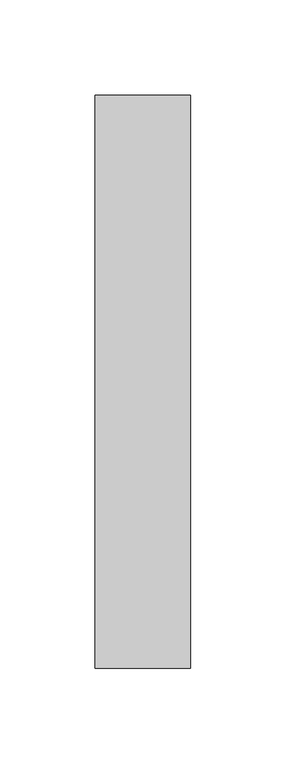
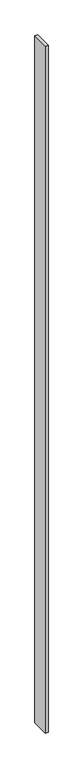
"""IFC4 building model written with IfcOpenShell, lengths in millimetres: member geometry."""

from ifc_helpers import new_model, si_unit, frame, origin, place, context, project, spatial, polyline, outline, extrude, source, transform, mapped, element, save


def member_705db991(model_context):
    return source(origin(), model_context, "Body", "SweptSolid", [
        extrude(outline(polyline([(0.0, 279.0), (0.0, -21.0), (-50.0, -21.0), (-50.0, 279.0), (0.0, 279.0)])), frame((0.0, 0.0, -12300.0), z_axis=(0.0, 0.0, 1.0), x_axis=(1.0, 0.0, 0.0)), (0.0, 0.0, 1.0), 12300.0),
    ])


if __name__ == "__main__":
    model = new_model("IFC4")
    model_context = context("Model", 3, world=origin())
    ifc_project = project(units=[si_unit("LENGTHUNIT", "METRE", prefix="MILLI")], contexts=[model_context])
    site = spatial("IfcSite", under=ifc_project)
    building = spatial("IfcBuilding", under=site)
    placement = place(None, origin())
    member_shape = member_705db991(model_context)
    element("IfcMember", 1, at=placement, inside=building, context=model_context, shape_type="MappedRepresentation", body=[
        mapped(member_shape, transform((0.0, 0.0, 0.0), x_axis=(1.0, 0.0, 0.0), y_axis=(0.0, 1.0, 0.0), z_axis=(0.0, 0.0, 1.0))),
    ])
    save(model, "model.ifc")
